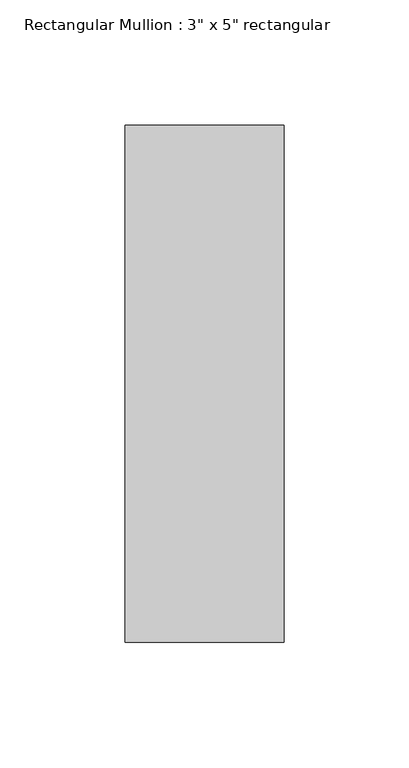
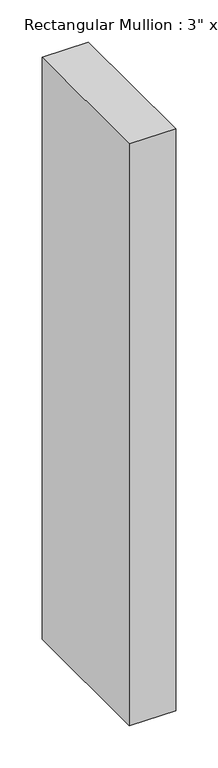
"""IFC4 building model written with IfcOpenShell, lengths in millimetres: member geometry."""

from ifc_helpers import new_model, si_unit, frame, origin, place, context, project, spatial, polyline, outline, extrude, source, transform, mapped, element, save


def member_8fdae2a9(model_context):
    return source(origin(), model_context, "Body", "SweptSolid", [
        extrude(outline(polyline([(0.0, 90.551), (0.0, -115.951), (-63.5, -115.951), (-63.5, 90.551), (0.0, 90.551)])), frame((0.0, 0.0, -842.8369135), z_axis=(0.0, 0.0, 1.0), x_axis=(1.0, 0.0, 0.0)), (0.0, 0.0, 1.0), 842.8369135),
    ])


if __name__ == "__main__":
    model = new_model("IFC4")
    model_context = context("Model", 3, world=origin())
    ifc_project = project(units=[si_unit("LENGTHUNIT", "METRE", prefix="MILLI")], contexts=[model_context])
    site = spatial("IfcSite", under=ifc_project)
    building = spatial("IfcBuilding", under=site)
    placement = place(None, origin())
    member_shape = member_8fdae2a9(model_context)
    element("IfcMember", 1, ObjectType="Rectangular Mullion : 3\" x 5\" rectangular", at=placement, inside=building, context=model_context, shape_type="MappedRepresentation", body=[
        mapped(member_shape, transform((0.0, 0.0, 0.0), x_axis=(1.0, 0.0, 0.0), y_axis=(0.0, 1.0, 0.0), z_axis=(0.0, 0.0, 1.0))),
    ])
    save(model, "model.ifc")
